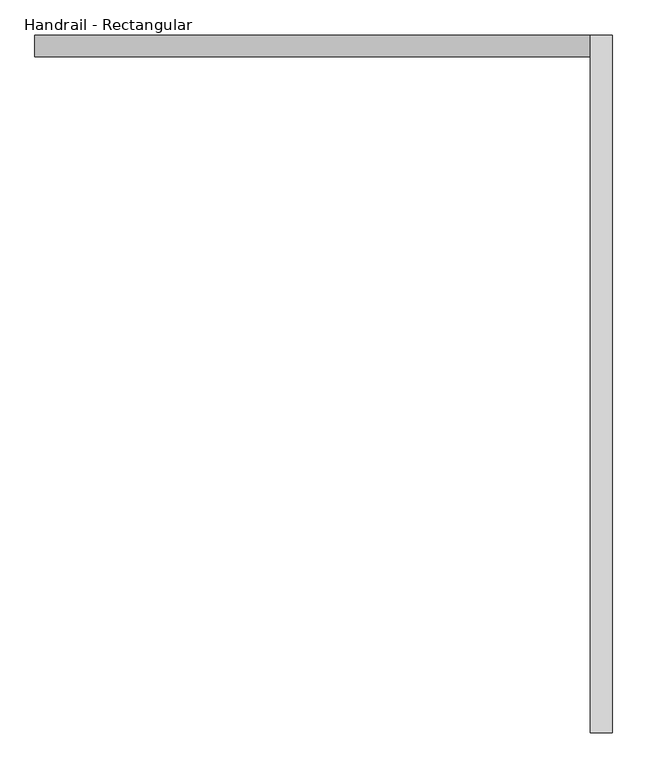
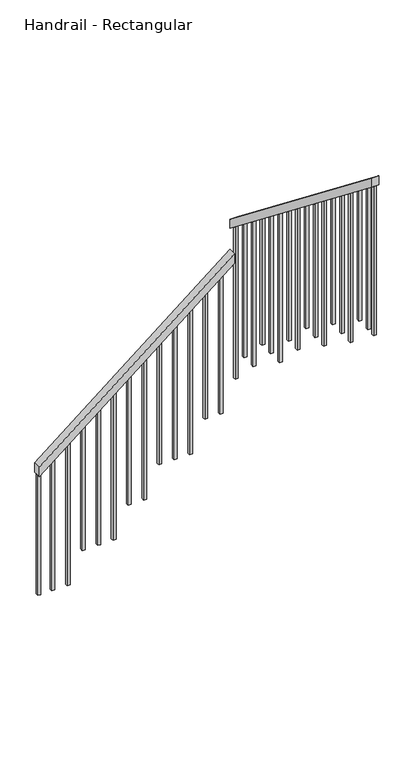
"""IFC4 building model written with IfcOpenShell, lengths in millimetres: railing geometry, Handrail - Rectangular."""

import ifcopenshell
import ifcopenshell.guid

model = None  # the IFC model being written
_history = None  # IfcOwnerHistory: only IFC2X3 demands one
_inside = {}  # id of a spatial element -> (the spatial element, [elements in it])
_under = {}  # id of a project, library or spatial element -> (it, [spatial elements below it])
_declared = {}  # id of a project -> (the project, [libraries it declares])
_typed = {}  # id of a type object -> (the type object, [elements of that type])
_made_of = {}  # id of a material, layer set ... -> (it, [elements and type objects made of it])


def new_model(schema):
    """Start an empty IFC model of exactly this schema.

    Asked for "IFC4X3", IfcOpenShell would pick the latest addendum, in which some entities
    have other attributes; the version numbers below select the first issue.
    IFC2X3 requires an IfcOwnerHistory on every rooted entity: one is made here for all.
    """
    global model, _history
    if schema == "IFC4X3":
        model = ifcopenshell.file(schema_version=(4, 3, 0, 0))
    else:
        model = ifcopenshell.file(schema=schema)
    _inside.clear()
    _under.clear()
    _declared.clear()
    _typed.clear()
    _made_of.clear()
    _history = None
    if model.schema == "IFC2X3":
        org = make("IfcOrganization", Name="unknown")
        user = make(
            "IfcPersonAndOrganization",
            ThePerson=make("IfcPerson", FamilyName="unknown"),
            TheOrganization=org,
        )
        app = make(
            "IfcApplication",
            ApplicationDeveloper=org,
            Version="unknown",
            ApplicationFullName="unknown",
            ApplicationIdentifier="unknown",
        )
        _history = make(
            "IfcOwnerHistory",
            OwningUser=user,
            OwningApplication=app,
            ChangeAction="ADDED",
            CreationDate=0,
        )
    return model


def make(cls, **values):
    """One entity of the class cls with the attributes given. An attribute that is None is left unset."""
    return model.create_entity(
        cls, **{name: value for name, value in values.items() if value is not None}
    )


def rooted(cls, **values):
    """An entity with a GlobalId (a new one), such as an element, a storey or a relation."""
    return make(cls, GlobalId=ifcopenshell.guid.new(), OwnerHistory=_history, **values)


def si_unit(unit_type, name, prefix=None):
    """IfcSIUnit, for example si_unit("LENGTHUNIT", "METRE", prefix="MILLI")."""
    return make("IfcSIUnit", UnitType=unit_type, Prefix=prefix, Name=name)


def assignment(units):
    """IfcUnitAssignment: the units of a project."""
    return None if units is None else make("IfcUnitAssignment", Units=units)


def point(xyz):
    """IfcCartesianPoint."""
    return None if xyz is None else make("IfcCartesianPoint", Coordinates=xyz)


def direction(xyz):
    """IfcDirection."""
    return None if xyz is None else make("IfcDirection", DirectionRatios=xyz)


def frame(location, z_axis=None, x_axis=None):
    """IfcAxis2Placement3D, a coordinate frame: its origin and axes. An axis left out is left unset."""
    return make(
        "IfcAxis2Placement3D",
        Location=point(location),
        Axis=direction(z_axis),
        RefDirection=direction(x_axis),
    )


def origin():
    """The frame at (0, 0, 0) with its axes left unset."""
    return frame((0.0, 0.0, 0.0))


def place(relative_to, where):
    """IfcLocalPlacement: puts the frame where relative to a parent placement (None: the world)."""
    return make(
        "IfcLocalPlacement", PlacementRelTo=relative_to, RelativePlacement=where
    )


def context(
    kind, dimensions, precision=None, world=None, true_north=None, identifier=None
):
    """IfcGeometricRepresentationContext, for example the 3D "Model" context."""
    return make(
        "IfcGeometricRepresentationContext",
        ContextIdentifier=identifier,
        ContextType=kind,
        CoordinateSpaceDimension=dimensions,
        Precision=precision,
        WorldCoordinateSystem=world,
        TrueNorth=true_north,
    )


def project(units=None, contexts=None):
    """IfcProject with its units and contexts."""
    return rooted(
        "IfcProject",
        Name="project",
        RepresentationContexts=contexts,
        UnitsInContext=assignment(units),
    )


def spatial(cls, under=None, at=None, **own):
    """A site, building, storey or space (cls), placed at a placement, below another one or the project."""
    s = rooted(cls, ObjectPlacement=at, **own)
    if under is not None:
        _under.setdefault(under.id(), (under, []))[1].append(s)
    return s


def polyline(points):
    """IfcPolyline through the points."""
    return make("IfcPolyline", Points=[point(p) for p in points])


def outline(outer, holes=None, kind="AREA"):
    """IfcArbitraryClosedProfileDef: a profile drawn as a closed curve; with holes, ...WithVoids."""
    if holes is None:
        return make("IfcArbitraryClosedProfileDef", ProfileType=kind, OuterCurve=outer)
    return make(
        "IfcArbitraryProfileDefWithVoids",
        ProfileType=kind,
        OuterCurve=outer,
        InnerCurves=holes,
    )


def extrude(swept, where, along, depth):
    """IfcExtrudedAreaSolid: the profile swept, set in the frame where, extruded along a direction by depth."""
    return make(
        "IfcExtrudedAreaSolid",
        SweptArea=swept,
        Position=where,
        ExtrudedDirection=direction(along),
        Depth=depth,
    )


def shape(context_of_items, identifier, shape_type, items):
    """IfcShapeRepresentation: the items that make up one representation, for example the "Body"."""
    return make(
        "IfcShapeRepresentation",
        ContextOfItems=context_of_items,
        RepresentationIdentifier=identifier,
        RepresentationType=shape_type,
        Items=items,
    )


def source(mapping_origin, context_of_items, identifier, shape_type, items):
    """IfcRepresentationMap: a shape defined once, which mapped items show again and again."""
    return make(
        "IfcRepresentationMap",
        MappingOrigin=mapping_origin,
        MappedRepresentation=shape(context_of_items, identifier, shape_type, items),
    )


def transform(
    local_origin,
    x_axis=None,
    y_axis=None,
    z_axis=None,
    scale=None,
    scale2=None,
    scale3=None,
    uniform=True,
):
    """IfcCartesianTransformationOperator3D, or its non-uniform kind. x_axis, y_axis, z_axis: its Axis1, 2, 3."""
    if uniform:
        return make(
            "IfcCartesianTransformationOperator3D",
            Axis1=direction(x_axis),
            Axis2=direction(y_axis),
            LocalOrigin=point(local_origin),
            Scale=scale,
            Axis3=direction(z_axis),
        )
    return make(
        "IfcCartesianTransformationOperator3DnonUniform",
        Axis1=direction(x_axis),
        Axis2=direction(y_axis),
        LocalOrigin=point(local_origin),
        Scale=scale,
        Axis3=direction(z_axis),
        Scale2=scale2,
        Scale3=scale3,
    )


def mapped(mapping_source, mapping_target):
    """IfcMappedItem: shows the shape of a source again, moved by a transform."""
    return make(
        "IfcMappedItem", MappingSource=mapping_source, MappingTarget=mapping_target
    )


def made_of(thing, what):
    """Note that an element or type object is made of a material, layer set ...; save() writes the relation."""
    if what is not None:
        _made_of.setdefault(what.id(), (what, []))[1].append(thing)
    return thing


def element(
    cls,
    number,
    at=None,
    inside=None,
    cuts=None,
    type_object=None,
    material=None,
    context=None,
    identifier="Body",
    shape_type=None,
    held_by="IfcProductDefinitionShape",
    body=None,
    shapes=None,
    **own,
):
    """One element of the class cls, such as IfcWall. Its Tag is "e" and its number.

    at: its placement. inside: the storey or other place that contains it. cuts: it is an
    opening in that element (IfcRelVoidsElement). A single representation is given by context,
    identifier, shape_type and body (its items); several are given by shapes. held_by: the class
    of the entity that holds the representations. save() writes the other relations.
    """
    e = rooted(cls, Tag="e%d" % number, ObjectPlacement=at, **own)
    if body is not None:
        shapes = [shape(context, identifier, shape_type, body)]
    if shapes is not None:
        e.Representation = make(held_by, Representations=shapes)
    if inside is not None:
        _inside.setdefault(inside.id(), (inside, []))[1].append(e)
    if cuts is not None:
        rooted(
            "IfcRelVoidsElement", RelatingBuildingElement=cuts, RelatedOpeningElement=e
        )
    if type_object is not None:
        _typed.setdefault(type_object.id(), (type_object, []))[1].append(e)
    return made_of(e, material)


def aggregate(whole, parts):
    """IfcRelAggregates: a whole, such as a stair, and the parts it consists of."""
    return rooted("IfcRelAggregates", RelatingObject=whole, RelatedObjects=parts)


def save(model, path):
    """Write the relations noted so far, then the file.

    IfcRelAggregates (storeys below a building ...), IfcRelContainedInSpatialStructure (elements
    in a storey), IfcRelDefinesByType, IfcRelAssociatesMaterial and IfcRelDeclares: one each for
    every whole, place, type object, material and project.
    """
    for whole, parts in _under.values():
        aggregate(whole, parts)
    for where, things in _inside.values():
        rooted(
            "IfcRelContainedInSpatialStructure",
            RelatedElements=things,
            RelatingStructure=where,
        )
    for kind, things in _typed.values():
        rooted("IfcRelDefinesByType", RelatedObjects=things, RelatingType=kind)
    for what, things in _made_of.values():
        rooted("IfcRelAssociatesMaterial", RelatedObjects=things, RelatingMaterial=what)
    for by, libraries in _declared.values():
        rooted("IfcRelDeclares", RelatingContext=by, RelatedDefinitions=libraries)
    model.write(path)


def handrail_rectangular_0872b4c1(model_context):
    return source(origin(), model_context, "Body", "SweptSolid", [
        extrude(outline(polyline([(-1180.1054945, 3246.336121), (-1245.3476408, 3246.336121), (-202.0802415, 4540.936121), (-136.8380952, 4540.936121), (-1180.1054945, 3246.336121)])), frame((0.0, 2509.5686834, 0.0), z_axis=(0.0, 1.0, 0.0), x_axis=(0.0, 0.0, 1.0)), (0.0, 0.0, 1.0), 50.8),
        extrude(outline(polyline([(2560.3686834, 75.2689459), (2560.3686834, 10.7342625), (934.7686834, 1284.3524961), (934.7686834, 1348.8871795), (2560.3686834, 75.2689459)])), frame((4540.936121, 0.0, 0.0), z_axis=(1.0, 0.0, 0.0), x_axis=(0.0, 1.0, 0.0)), (0.0, 0.0, 1.0), 50.8),
        extrude(outline(polyline([(1001.4436834, 1232.1142483), (1020.4936834, 1217.1890346), (1020.4936834, 238.4615385), (1001.4436834, 238.4615385), (1001.4436834, 1232.1142483)])), frame((4556.811121, 0.0, 0.0), z_axis=(1.0, 0.0, 0.0), x_axis=(0.0, 1.0, 0.0)), (0.0, 0.0, 1.0), 19.05),
        extrude(outline(polyline([(1103.0436834, 1152.5131087), (1122.0936834, 1137.587895), (1122.0936834, 238.4615385), (1103.0436834, 238.4615385), (1103.0436834, 1152.5131087)])), frame((4556.811121, 0.0, 0.0), z_axis=(1.0, 0.0, 0.0), x_axis=(0.0, 1.0, 0.0)), (0.0, 0.0, 1.0), 19.05),
        extrude(outline(polyline([(1204.6436834, 1072.8140346), (1223.6936834, 1057.8888209), (1223.6936834, 26.9230769), (1204.6436834, 26.9230769), (1204.6436834, 1072.8140346)])), frame((4556.811121, 0.0, 0.0), z_axis=(1.0, 0.0, 0.0), x_axis=(0.0, 1.0, 0.0)), (0.0, 0.0, 1.0), 19.05),
        extrude(outline(polyline([(1306.2436834, 993.3108295), (1325.2936834, 978.3856158), (1325.2936834, 26.9230769), (1306.2436834, 26.9230769), (1306.2436834, 993.3108295)])), frame((4556.811121, 0.0, 0.0), z_axis=(1.0, 0.0, 0.0), x_axis=(0.0, 1.0, 0.0)), (0.0, 0.0, 1.0), 19.05),
        extrude(outline(polyline([(1407.8436834, 913.7096899), (1426.8936834, 898.7844762), (1426.8936834, 26.9230769), (1407.8436834, 26.9230769), (1407.8436834, 913.7096899)])), frame((4556.811121, 0.0, 0.0), z_axis=(1.0, 0.0, 0.0), x_axis=(0.0, 1.0, 0.0)), (0.0, 0.0, 1.0), 19.05),
        extrude(outline(polyline([(1509.4436834, 834.1085503), (1528.4936834, 819.1833366), (1528.4936834, -184.6153846), (1509.4436834, -184.6153846), (1509.4436834, 834.1085503)])), frame((4556.811121, 0.0, 0.0), z_axis=(1.0, 0.0, 0.0), x_axis=(0.0, 1.0, 0.0)), (0.0, 0.0, 1.0), 19.05),
        extrude(outline(polyline([(1611.0436834, 754.5074107), (1630.0936834, 739.582197), (1630.0936834, -184.6153846), (1611.0436834, -184.6153846), (1611.0436834, 754.5074107)])), frame((4556.811121, 0.0, 0.0), z_axis=(1.0, 0.0, 0.0), x_axis=(0.0, 1.0, 0.0)), (0.0, 0.0, 1.0), 19.05),
        extrude(outline(polyline([(1712.6436834, 674.9062711), (1731.6936834, 659.9810574), (1731.6936834, -184.6153846), (1712.6436834, -184.6153846), (1712.6436834, 674.9062711)])), frame((4556.811121, 0.0, 0.0), z_axis=(1.0, 0.0, 0.0), x_axis=(0.0, 1.0, 0.0)), (0.0, 0.0, 1.0), 19.05),
        extrude(outline(polyline([(1814.2436834, 595.3051315), (1833.2936834, 580.3799178), (1833.2936834, -396.1538462), (1814.2436834, -396.1538462), (1814.2436834, 595.3051315)])), frame((4556.811121, 0.0, 0.0), z_axis=(1.0, 0.0, 0.0), x_axis=(0.0, 1.0, 0.0)), (0.0, 0.0, 1.0), 19.05),
        extrude(outline(polyline([(1915.8436834, 515.7039919), (1934.8936834, 500.7787782), (1934.8936834, -396.1538462), (1915.8436834, -396.1538462), (1915.8436834, 515.7039919)])), frame((4556.811121, 0.0, 0.0), z_axis=(1.0, 0.0, 0.0), x_axis=(0.0, 1.0, 0.0)), (0.0, 0.0, 1.0), 19.05),
        extrude(outline(polyline([(2017.4436834, 436.1028523), (2036.4936834, 421.1776386), (2036.4936834, -607.6923077), (2017.4436834, -607.6923077), (2017.4436834, 436.1028523)])), frame((4556.811121, 0.0, 0.0), z_axis=(1.0, 0.0, 0.0), x_axis=(0.0, 1.0, 0.0)), (0.0, 0.0, 1.0), 19.05),
        extrude(outline(polyline([(2119.0436834, 356.5017127), (2138.0936834, 341.576499), (2138.0936834, -607.6923077), (2119.0436834, -607.6923077), (2119.0436834, 356.5017127)])), frame((4556.811121, 0.0, 0.0), z_axis=(1.0, 0.0, 0.0), x_axis=(0.0, 1.0, 0.0)), (0.0, 0.0, 1.0), 19.05),
        extrude(outline(polyline([(2220.6436834, 276.900573), (2239.6936834, 261.9753594), (2239.6936834, -607.6923077), (2220.6436834, -607.6923077), (2220.6436834, 276.900573)])), frame((4556.811121, 0.0, 0.0), z_axis=(1.0, 0.0, 0.0), x_axis=(0.0, 1.0, 0.0)), (0.0, 0.0, 1.0), 19.05),
        extrude(outline(polyline([(2322.2436834, 197.2994334), (2341.2936834, 182.3742198), (2341.2936834, -819.2307692), (2322.2436834, -819.2307692), (2322.2436834, 197.2994334)])), frame((4556.811121, 0.0, 0.0), z_axis=(1.0, 0.0, 0.0), x_axis=(0.0, 1.0, 0.0)), (0.0, 0.0, 1.0), 19.05),
        extrude(outline(polyline([(2423.8436834, 117.6982938), (2442.8936834, 102.7730802), (2442.8936834, -819.2307692), (2423.8436834, -819.2307692), (2423.8436834, 117.6982938)])), frame((4556.811121, 0.0, 0.0), z_axis=(1.0, 0.0, 0.0), x_axis=(0.0, 1.0, 0.0)), (0.0, 0.0, 1.0), 19.05),
        extrude(outline(polyline([(-255.1663221, 4475.061121), (-270.5179705, 4456.011121), (-1242.3076923, 4456.011121), (-1242.3076923, 4475.061121), (-255.1663221, 4475.061121)])), frame((0.0, 2525.4436834, 0.0), z_axis=(0.0, 1.0, 0.0), x_axis=(0.0, 0.0, 1.0)), (0.0, 0.0, 1.0), 19.05),
        extrude(outline(polyline([(-337.04178, 4373.461121), (-352.3934283, 4354.411121), (-1242.3076923, 4354.411121), (-1242.3076923, 4373.461121), (-337.04178, 4373.461121)])), frame((0.0, 2525.4436834, 0.0), z_axis=(0.0, 1.0, 0.0), x_axis=(0.0, 0.0, 1.0)), (0.0, 0.0, 1.0), 19.05),
        extrude(outline(polyline([(-418.9172379, 4271.861121), (-434.2688862, 4252.811121), (-1453.8461538, 4252.811121), (-1453.8461538, 4271.861121), (-418.9172379, 4271.861121)])), frame((0.0, 2525.4436834, 0.0), z_axis=(0.0, 1.0, 0.0), x_axis=(0.0, 0.0, 1.0)), (0.0, 0.0, 1.0), 19.05),
        extrude(outline(polyline([(-500.7926957, 4170.261121), (-516.1443441, 4151.211121), (-1453.8461538, 4151.211121), (-1453.8461538, 4170.261121), (-500.7926957, 4170.261121)])), frame((0.0, 2525.4436834, 0.0), z_axis=(0.0, 1.0, 0.0), x_axis=(0.0, 0.0, 1.0)), (0.0, 0.0, 1.0), 19.05),
        extrude(outline(polyline([(-582.6681536, 4068.661121), (-598.019802, 4049.611121), (-1453.8461538, 4049.611121), (-1453.8461538, 4068.661121), (-582.6681536, 4068.661121)])), frame((0.0, 2525.4436834, 0.0), z_axis=(0.0, 1.0, 0.0), x_axis=(0.0, 0.0, 1.0)), (0.0, 0.0, 1.0), 19.05),
        extrude(outline(polyline([(-664.5436115, 3967.061121), (-679.8952598, 3948.011121), (-1665.3846154, 3948.011121), (-1665.3846154, 3967.061121), (-664.5436115, 3967.061121)])), frame((0.0, 2525.4436834, 0.0), z_axis=(0.0, 1.0, 0.0), x_axis=(0.0, 0.0, 1.0)), (0.0, 0.0, 1.0), 19.05),
        extrude(outline(polyline([(-746.4190694, 3865.461121), (-761.7707177, 3846.411121), (-1665.3846154, 3846.411121), (-1665.3846154, 3865.461121), (-746.4190694, 3865.461121)])), frame((0.0, 2525.4436834, 0.0), z_axis=(0.0, 1.0, 0.0), x_axis=(0.0, 0.0, 1.0)), (0.0, 0.0, 1.0), 19.05),
        extrude(outline(polyline([(-828.2945272, 3763.861121), (-843.6461756, 3744.811121), (-1876.9230769, 3744.811121), (-1876.9230769, 3763.861121), (-828.2945272, 3763.861121)])), frame((0.0, 2525.4436834, 0.0), z_axis=(0.0, 1.0, 0.0), x_axis=(0.0, 0.0, 1.0)), (0.0, 0.0, 1.0), 19.05),
        extrude(outline(polyline([(-910.1699851, 3662.261121), (-925.5216335, 3643.211121), (-1876.9230769, 3643.211121), (-1876.9230769, 3662.261121), (-910.1699851, 3662.261121)])), frame((0.0, 2525.4436834, 0.0), z_axis=(0.0, 1.0, 0.0), x_axis=(0.0, 0.0, 1.0)), (0.0, 0.0, 1.0), 19.05),
        extrude(outline(polyline([(-992.045443, 3560.661121), (-1007.3970913, 3541.611121), (-1876.9230769, 3541.611121), (-1876.9230769, 3560.661121), (-992.045443, 3560.661121)])), frame((0.0, 2525.4436834, 0.0), z_axis=(0.0, 1.0, 0.0), x_axis=(0.0, 0.0, 1.0)), (0.0, 0.0, 1.0), 19.05),
        extrude(outline(polyline([(-1073.9209009, 3459.061121), (-1089.2725492, 3440.011121), (-2088.4615385, 3440.011121), (-2088.4615385, 3459.061121), (-1073.9209009, 3459.061121)])), frame((0.0, 2525.4436834, 0.0), z_axis=(0.0, 1.0, 0.0), x_axis=(0.0, 0.0, 1.0)), (0.0, 0.0, 1.0), 19.05),
        extrude(outline(polyline([(-1155.7963587, 3357.461121), (-1171.1480071, 3338.411121), (-2088.4615385, 3338.411121), (-2088.4615385, 3357.461121), (-1155.7963587, 3357.461121)])), frame((0.0, 2525.4436834, 0.0), z_axis=(0.0, 1.0, 0.0), x_axis=(0.0, 0.0, 1.0)), (0.0, 0.0, 1.0), 19.05),
        extrude(outline(polyline([(2525.4436834, 38.0971542), (2544.4936834, 23.1719406), (2544.4936834, -1030.7692308), (2525.4436834, -1030.7692308), (2525.4436834, 38.0971542)])), frame((4556.811121, 0.0, 0.0), z_axis=(1.0, 0.0, 0.0), x_axis=(0.0, 1.0, 0.0)), (0.0, 0.0, 1.0), 19.05),
        extrude(outline(polyline([(934.7686834, 1284.3524961), (953.8186834, 1269.4272825), (953.8186834, 238.4615385), (934.7686834, 238.4615385), (934.7686834, 1284.3524961)])), frame((4556.811121, 0.0, 0.0), z_axis=(1.0, 0.0, 0.0), x_axis=(0.0, 1.0, 0.0)), (0.0, 0.0, 1.0), 19.05),
        extrude(outline(polyline([(-1229.9959924, 3265.386121), (-1245.3476408, 3246.336121), (-2088.4615385, 3246.336121), (-2088.4615385, 3265.386121), (-1229.9959924, 3265.386121)])), frame((0.0, 2525.4436834, 0.0), z_axis=(0.0, 1.0, 0.0), x_axis=(0.0, 0.0, 1.0)), (0.0, 0.0, 1.0), 19.05),
    ])


if __name__ == "__main__":
    model = new_model("IFC4")
    model_context = context("Model", 3, world=origin())
    ifc_project = project(units=[si_unit("LENGTHUNIT", "METRE", prefix="MILLI")], contexts=[model_context])
    site = spatial("IfcSite", under=ifc_project)
    building = spatial("IfcBuilding", under=site)
    placement = place(None, origin())
    handrail_rectangular_shape = handrail_rectangular_0872b4c1(model_context)
    element("IfcRailing", 1, ObjectType="Handrail - Rectangular", at=placement, inside=building, context=model_context, shape_type="MappedRepresentation", body=[
        mapped(handrail_rectangular_shape, transform((0.0, 0.0, 0.0), x_axis=(1.0, 0.0, 0.0), y_axis=(0.0, 1.0, 0.0), z_axis=(0.0, 0.0, 1.0))),
    ])
    save(model, "model.ifc")
